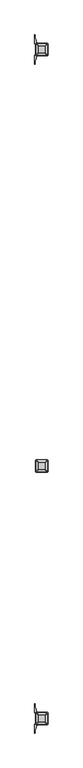
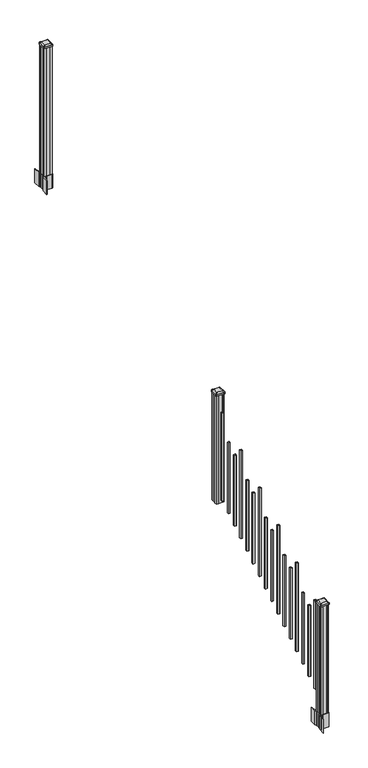
"""IFC4 building model written with IfcOpenShell, lengths in millimetres: railing geometry."""

import ifcopenshell
import ifcopenshell.guid

model = None  # the IFC model being written
_history = None  # IfcOwnerHistory: only IFC2X3 demands one
_inside = {}  # id of a spatial element -> (the spatial element, [elements in it])
_under = {}  # id of a project, library or spatial element -> (it, [spatial elements below it])
_declared = {}  # id of a project -> (the project, [libraries it declares])
_typed = {}  # id of a type object -> (the type object, [elements of that type])
_made_of = {}  # id of a material, layer set ... -> (it, [elements and type objects made of it])


def new_model(schema):
    """Start an empty IFC model of exactly this schema.

    Asked for "IFC4X3", IfcOpenShell would pick the latest addendum, in which some entities
    have other attributes; the version numbers below select the first issue.
    IFC2X3 requires an IfcOwnerHistory on every rooted entity: one is made here for all.
    """
    global model, _history
    if schema == "IFC4X3":
        model = ifcopenshell.file(schema_version=(4, 3, 0, 0))
    else:
        model = ifcopenshell.file(schema=schema)
    _inside.clear()
    _under.clear()
    _declared.clear()
    _typed.clear()
    _made_of.clear()
    _history = None
    if model.schema == "IFC2X3":
        org = make("IfcOrganization", Name="unknown")
        user = make(
            "IfcPersonAndOrganization",
            ThePerson=make("IfcPerson", FamilyName="unknown"),
            TheOrganization=org,
        )
        app = make(
            "IfcApplication",
            ApplicationDeveloper=org,
            Version="unknown",
            ApplicationFullName="unknown",
            ApplicationIdentifier="unknown",
        )
        _history = make(
            "IfcOwnerHistory",
            OwningUser=user,
            OwningApplication=app,
            ChangeAction="ADDED",
            CreationDate=0,
        )
    return model


def make(cls, **values):
    """One entity of the class cls with the attributes given. An attribute that is None is left unset."""
    return model.create_entity(
        cls, **{name: value for name, value in values.items() if value is not None}
    )


def rooted(cls, **values):
    """An entity with a GlobalId (a new one), such as an element, a storey or a relation."""
    return make(cls, GlobalId=ifcopenshell.guid.new(), OwnerHistory=_history, **values)


def si_unit(unit_type, name, prefix=None):
    """IfcSIUnit, for example si_unit("LENGTHUNIT", "METRE", prefix="MILLI")."""
    return make("IfcSIUnit", UnitType=unit_type, Prefix=prefix, Name=name)


def assignment(units):
    """IfcUnitAssignment: the units of a project."""
    return None if units is None else make("IfcUnitAssignment", Units=units)


def point(xyz):
    """IfcCartesianPoint."""
    return None if xyz is None else make("IfcCartesianPoint", Coordinates=xyz)


def direction(xyz):
    """IfcDirection."""
    return None if xyz is None else make("IfcDirection", DirectionRatios=xyz)


def frame(location, z_axis=None, x_axis=None):
    """IfcAxis2Placement3D, a coordinate frame: its origin and axes. An axis left out is left unset."""
    return make(
        "IfcAxis2Placement3D",
        Location=point(location),
        Axis=direction(z_axis),
        RefDirection=direction(x_axis),
    )


def frame_2d(location, x_axis=None):
    """IfcAxis2Placement2D, a coordinate frame in the plane: its origin and x axis."""
    return make(
        "IfcAxis2Placement2D", Location=point(location), RefDirection=direction(x_axis)
    )


def origin():
    """The frame at (0, 0, 0) with its axes left unset."""
    return frame((0.0, 0.0, 0.0))


def place(relative_to, where):
    """IfcLocalPlacement: puts the frame where relative to a parent placement (None: the world)."""
    return make(
        "IfcLocalPlacement", PlacementRelTo=relative_to, RelativePlacement=where
    )


def context(
    kind, dimensions, precision=None, world=None, true_north=None, identifier=None
):
    """IfcGeometricRepresentationContext, for example the 3D "Model" context."""
    return make(
        "IfcGeometricRepresentationContext",
        ContextIdentifier=identifier,
        ContextType=kind,
        CoordinateSpaceDimension=dimensions,
        Precision=precision,
        WorldCoordinateSystem=world,
        TrueNorth=true_north,
    )


def project(units=None, contexts=None):
    """IfcProject with its units and contexts."""
    return rooted(
        "IfcProject",
        Name="project",
        RepresentationContexts=contexts,
        UnitsInContext=assignment(units),
    )


def spatial(cls, under=None, at=None, **own):
    """A site, building, storey or space (cls), placed at a placement, below another one or the project."""
    s = rooted(cls, ObjectPlacement=at, **own)
    if under is not None:
        _under.setdefault(under.id(), (under, []))[1].append(s)
    return s


def polyline(points):
    """IfcPolyline through the points."""
    return make("IfcPolyline", Points=[point(p) for p in points])


def circle_curve(where, radius):
    """IfcCircle in the frame where."""
    return make("IfcCircle", Position=where, Radius=radius)


def trimmed(basis, trim1, trim2, sense, master):
    """IfcTrimmedCurve: the piece of a basis curve between two trims."""
    return make(
        "IfcTrimmedCurve",
        BasisCurve=basis,
        Trim1=trim1,
        Trim2=trim2,
        SenseAgreement=sense,
        MasterRepresentation=master,
    )


def segment(curve, same_sense, transition):
    """IfcCompositeCurveSegment."""
    return make(
        "IfcCompositeCurveSegment",
        Transition=transition,
        SameSense=same_sense,
        ParentCurve=curve,
    )


def composite_curve(segments, self_intersect=None):
    """IfcCompositeCurve: segments joined end to end."""
    return make("IfcCompositeCurve", Segments=segments, SelfIntersect=self_intersect)


def outline(outer, holes=None, kind="AREA"):
    """IfcArbitraryClosedProfileDef: a profile drawn as a closed curve; with holes, ...WithVoids."""
    if holes is None:
        return make("IfcArbitraryClosedProfileDef", ProfileType=kind, OuterCurve=outer)
    return make(
        "IfcArbitraryProfileDefWithVoids",
        ProfileType=kind,
        OuterCurve=outer,
        InnerCurves=holes,
    )


def extrude(swept, where, along, depth):
    """IfcExtrudedAreaSolid: the profile swept, set in the frame where, extruded along a direction by depth."""
    return make(
        "IfcExtrudedAreaSolid",
        SweptArea=swept,
        Position=where,
        ExtrudedDirection=direction(along),
        Depth=depth,
    )


def shape(context_of_items, identifier, shape_type, items):
    """IfcShapeRepresentation: the items that make up one representation, for example the "Body"."""
    return make(
        "IfcShapeRepresentation",
        ContextOfItems=context_of_items,
        RepresentationIdentifier=identifier,
        RepresentationType=shape_type,
        Items=items,
    )


def source(mapping_origin, context_of_items, identifier, shape_type, items):
    """IfcRepresentationMap: a shape defined once, which mapped items show again and again."""
    return make(
        "IfcRepresentationMap",
        MappingOrigin=mapping_origin,
        MappedRepresentation=shape(context_of_items, identifier, shape_type, items),
    )


def transform(
    local_origin,
    x_axis=None,
    y_axis=None,
    z_axis=None,
    scale=None,
    scale2=None,
    scale3=None,
    uniform=True,
):
    """IfcCartesianTransformationOperator3D, or its non-uniform kind. x_axis, y_axis, z_axis: its Axis1, 2, 3."""
    if uniform:
        return make(
            "IfcCartesianTransformationOperator3D",
            Axis1=direction(x_axis),
            Axis2=direction(y_axis),
            LocalOrigin=point(local_origin),
            Scale=scale,
            Axis3=direction(z_axis),
        )
    return make(
        "IfcCartesianTransformationOperator3DnonUniform",
        Axis1=direction(x_axis),
        Axis2=direction(y_axis),
        LocalOrigin=point(local_origin),
        Scale=scale,
        Axis3=direction(z_axis),
        Scale2=scale2,
        Scale3=scale3,
    )


def mapped(mapping_source, mapping_target):
    """IfcMappedItem: shows the shape of a source again, moved by a transform."""
    return make(
        "IfcMappedItem", MappingSource=mapping_source, MappingTarget=mapping_target
    )


def made_of(thing, what):
    """Note that an element or type object is made of a material, layer set ...; save() writes the relation."""
    if what is not None:
        _made_of.setdefault(what.id(), (what, []))[1].append(thing)
    return thing


def element(
    cls,
    number,
    at=None,
    inside=None,
    cuts=None,
    type_object=None,
    material=None,
    context=None,
    identifier="Body",
    shape_type=None,
    held_by="IfcProductDefinitionShape",
    body=None,
    shapes=None,
    **own,
):
    """One element of the class cls, such as IfcWall. Its Tag is "e" and its number.

    at: its placement. inside: the storey or other place that contains it. cuts: it is an
    opening in that element (IfcRelVoidsElement). A single representation is given by context,
    identifier, shape_type and body (its items); several are given by shapes. held_by: the class
    of the entity that holds the representations. save() writes the other relations.
    """
    e = rooted(cls, Tag="e%d" % number, ObjectPlacement=at, **own)
    if body is not None:
        shapes = [shape(context, identifier, shape_type, body)]
    if shapes is not None:
        e.Representation = make(held_by, Representations=shapes)
    if inside is not None:
        _inside.setdefault(inside.id(), (inside, []))[1].append(e)
    if cuts is not None:
        rooted(
            "IfcRelVoidsElement", RelatingBuildingElement=cuts, RelatedOpeningElement=e
        )
    if type_object is not None:
        _typed.setdefault(type_object.id(), (type_object, []))[1].append(e)
    return made_of(e, material)


def aggregate(whole, parts):
    """IfcRelAggregates: a whole, such as a stair, and the parts it consists of."""
    return rooted("IfcRelAggregates", RelatingObject=whole, RelatedObjects=parts)


def save(model, path):
    """Write the relations noted so far, then the file.

    IfcRelAggregates (storeys below a building ...), IfcRelContainedInSpatialStructure (elements
    in a storey), IfcRelDefinesByType, IfcRelAssociatesMaterial and IfcRelDeclares: one each for
    every whole, place, type object, material and project.
    """
    for whole, parts in _under.values():
        aggregate(whole, parts)
    for where, things in _inside.values():
        rooted(
            "IfcRelContainedInSpatialStructure",
            RelatedElements=things,
            RelatingStructure=where,
        )
    for kind, things in _typed.values():
        rooted("IfcRelDefinesByType", RelatedObjects=things, RelatingType=kind)
    for what, things in _made_of.values():
        rooted("IfcRelAssociatesMaterial", RelatedObjects=things, RelatingMaterial=what)
    for by, libraries in _declared.values():
        rooted("IfcRelDeclares", RelatingContext=by, RelatedDefinitions=libraries)
    model.write(path)


def plane_surface(at):
    """IfcPlane: the flat surface through the origin of the frame at, square to its z axis."""
    return make("IfcPlane", Position=at)


def extruded_surface(curve, direction_of_extrusion, depth):
    """IfcSurfaceOfLinearExtrusion: the curve pushed along a direction by depth."""
    return make(
        "IfcSurfaceOfLinearExtrusion",
        SweptCurve=make("IfcArbitraryOpenProfileDef", ProfileType="CURVE", Curve=curve),
        ExtrudedDirection=direction(direction_of_extrusion),
        Depth=depth,
    )


def advanced_brep(points, edges, surfaces, faces):
    """IfcAdvancedBrep: a solid bounded by faces that lie on surfaces and meet in shared edges.

    An edge is (start, end): straight between two places in points (the first is 0);
    or (start, end, curve); or (start, end, curve, False) where it runs against its curve.
    A face is (place in surfaces, loops), or (place, loops, False) where it looks against
    its surface's normal. A loop lists edges by number (the first is 1), with a minus sign
    where the edge is run from its end to its start. The first loop is the outer one.
    """
    corners = [point(p) for p in points]
    vertices = [make("IfcVertexPoint", VertexGeometry=c) for c in corners]
    made = []
    for start, end, *more in edges:
        made.append(
            make(
                "IfcEdgeCurve",
                EdgeStart=vertices[start],
                EdgeEnd=vertices[end],
                EdgeGeometry=more[0] if more else make("IfcPolyline", Points=[corners[start], corners[end]]),
                SameSense=more[1] if len(more) > 1 else True,
            )
        )
    hull = []
    for where, loops, *sense in faces:
        bounds = []
        for j, loop in enumerate(loops):
            ring = [make("IfcOrientedEdge", EdgeElement=made[abs(k) - 1], Orientation=k > 0) for k in loop]
            bounds.append(
                make(
                    "IfcFaceOuterBound" if j == 0 else "IfcFaceBound",
                    Bound=make("IfcEdgeLoop", EdgeList=ring),
                    Orientation=True,
                )
            )
        hull.append(make("IfcAdvancedFace", Bounds=bounds, FaceSurface=surfaces[where], SameSense=sense[0] if sense else True))
    return make("IfcAdvancedBrep", Outer=make("IfcClosedShell", CfsFaces=hull))


def railing_4a770493(model_context):
    return source(origin(), model_context, "Body", "SolidModel", [
        advanced_brep(
        [(9677.4407728, -114155.4027203, 2547.109263), (9729.0345228, -114155.4027203, 2547.109263), (9732.2095228, -114152.2277203, 2547.109263), (9732.2095228, -114100.6339703, 2547.109263), (9729.0345228, -114097.4589703, 2547.109263), (9677.4407728, -114097.4589703, 2547.109263), (9674.2657728, -114100.6339703, 2547.109263), (9674.2657728, -114152.2277203, 2547.109263), (9661.1688978, -114171.6745953, 2535.806263), (9657.9938978, -114168.4995953, 2535.806263), (9657.9938978, -114084.3620953, 2535.806263), (9661.1688978, -114081.1870953, 2535.806263), (9745.3063978, -114081.1870953, 2535.806263), (9748.4813978, -114084.3620953, 2535.806263), (9748.4813978, -114168.4995953, 2535.806263), (9745.3063978, -114171.6745953, 2535.806263)],
        [
            (0, 1),
            (1, 2, circle_curve(frame((9729.0345228, -114152.2277203, 2547.109263), z_axis=(0.0, 0.0, 1.0), x_axis=(0.0, 1.0, 0.0)), 3.175)),
            (2, 3),
            (3, 4, circle_curve(frame((9729.0345228, -114100.6339703, 2547.109263), z_axis=(0.0, 0.0, 1.0), x_axis=(0.0, 1.0, 0.0)), 3.175)),
            (4, 5),
            (5, 6, circle_curve(frame((9677.4407728, -114100.6339703, 2547.109263), z_axis=(0.0, 0.0, 1.0), x_axis=(0.0, 1.0, 0.0)), 3.175)),
            (6, 7),
            (7, 0, circle_curve(frame((9677.4407728, -114152.2277203, 2547.109263), z_axis=(0.0, 0.0, 1.0), x_axis=(0.0, 1.0, 0.0)), 3.175)),
            (8, 9, circle_curve(frame((9661.1688978, -114168.4995953, 2535.806263), z_axis=(0.0, 0.0, -1.0), x_axis=(0.0, 1.0, 0.0)), 3.175)),
            (9, 10),
            (10, 11, circle_curve(frame((9661.1688978, -114084.3620953, 2535.806263), z_axis=(0.0, 0.0, -1.0), x_axis=(0.0, 1.0, 0.0)), 3.175)),
            (11, 12),
            (12, 13, circle_curve(frame((9745.3063978, -114084.3620953, 2535.806263), z_axis=(0.0, 0.0, -1.0), x_axis=(0.0, 1.0, 0.0)), 3.175)),
            (13, 14),
            (14, 15, circle_curve(frame((9745.3063978, -114168.4995953, 2535.806263), z_axis=(0.0, 0.0, -1.0), x_axis=(0.0, 1.0, 0.0)), 3.175)),
            (15, 8),
            (8, 0),
            (7, 9),
            (6, 10),
            (5, 11),
            (4, 12),
            (3, 13),
            (2, 14),
            (1, 15),
        ],
        [
            plane_surface(frame((9703.2376478, -114126.4308453, 2547.109263), z_axis=(0.0, 0.0, 1.0), x_axis=(-1.0, 0.0, 0.0))),
            plane_surface(frame((9703.2376478, -114126.4308453, 2535.806263), z_axis=(0.0, 0.0, -1.0), x_axis=(-1.0, 0.0, 0.0))),
            extruded_surface(trimmed(circle_curve(frame((9677.4407728, -114152.2277203, 2547.109263), z_axis=(0.0, 0.0, -1.0), x_axis=(0.0, 1.0, 0.0)), 3.175), [point((9677.4407728, -114155.4027203, 2547.109263))], [point((9674.2657728, -114152.2277203, 2547.109263))], True, "CARTESIAN"), (-16.271875000000364, -16.27187500000582, -11.302999999999884), 25.637972638870036),
            plane_surface(frame((9657.9938978, -114126.4308453, 2535.806263), z_axis=(-0.5705009161540778, 0.0, 0.8212969649690408), x_axis=(0.0, 1.0, 0.0))),
            extruded_surface(trimmed(circle_curve(frame((9677.4407728, -114100.6339703, 2547.109263), z_axis=(0.0, 0.0, -1.0), x_axis=(0.0, 1.0, 0.0)), 3.175), [point((9674.2657728, -114100.6339703, 2547.109263))], [point((9677.4407728, -114097.4589703, 2547.109263))], True, "CARTESIAN"), (-16.271875000000364, 16.27187499999127, -11.302999999999884), 25.637972638860802),
            plane_surface(frame((9703.2376478, -114081.1870953, 2535.806263), z_axis=(0.0, 0.5705009161540291, 0.8212969649690747), x_axis=(1.0, 0.0, 0.0))),
            extruded_surface(trimmed(circle_curve(frame((9729.0345228, -114100.6339703, 2547.109263), z_axis=(0.0, 0.0, -1.0), x_axis=(0.0, 1.0, 0.0)), 3.175), [point((9729.0345228, -114097.4589703, 2547.109263))], [point((9732.2095228, -114100.6339703, 2547.109263))], True, "CARTESIAN"), (16.271874999998545, 16.27187499999127, -11.302999999999884), 25.637972638859644),
            plane_surface(frame((9748.4813978, -114126.4308453, 2535.806263), z_axis=(0.5705009161540142, 0.0, 0.8212969649690851), x_axis=(0.0, -1.0, 0.0))),
            extruded_surface(trimmed(circle_curve(frame((9729.0345228, -114152.2277203, 2547.109263), z_axis=(0.0, 0.0, -1.0), x_axis=(0.0, 1.0, 0.0)), 3.175), [point((9732.2095228, -114152.2277203, 2547.109263))], [point((9729.0345228, -114155.4027203, 2547.109263))], True, "CARTESIAN"), (16.271874999998545, -16.27187500000582, -11.302999999999884), 25.63797263886888),
            plane_surface(frame((9703.2376478, -114171.6745953, 2535.806263), z_axis=(0.0, -0.570500916154034, 0.8212969649690713), x_axis=(-1.0, 0.0, 0.0))),
        ],
        [
            (0, [[1, 2, 3, 4, 5, 6, 7, 8]]),
            (1, [[9, 10, 11, 12, 13, 14, 15, 16]]),
            (2, [[17, -8, 18, -9]]),
            (3, [[-18, -7, 19, -10]]),
            (4, [[-19, -6, 20, -11]]),
            (5, [[-20, -5, 21, -12]]),
            (6, [[-21, -4, 22, -13]]),
            (7, [[-22, -3, 23, -14]]),
            (8, [[-23, -2, 24, -15]]),
            (9, [[-24, -1, -17, -16]]),
        ],
    ),
        extrude(outline(composite_curve([segment(trimmed(circle_curve(frame_2d((9661.1688978, -114168.4995953)), 3.175), [point((9661.1688978, -114171.6745953))], [point((9657.9938978, -114168.4995953))], False, "CARTESIAN"), True, "CONTINUOUS"), segment(polyline([(9657.9938978, -114168.4995953), (9657.9938978, -114084.3620953)]), True, "CONTINUOUS"), segment(trimmed(circle_curve(frame_2d((9661.1688978, -114084.3620953)), 3.175), [point((9657.9938978, -114084.3620953))], [point((9661.1688978, -114081.1870953))], False, "CARTESIAN"), True, "CONTINUOUS"), segment(polyline([(9661.1688978, -114081.1870953), (9745.3063978, -114081.1870953)]), True, "CONTINUOUS"), segment(trimmed(circle_curve(frame_2d((9745.3063978, -114084.3620953)), 3.175), [point((9745.3063978, -114081.1870953))], [point((9748.4813978, -114084.3620953))], False, "CARTESIAN"), True, "CONTINUOUS"), segment(polyline([(9748.4813978, -114084.3620953), (9748.4813978, -114168.4995953)]), True, "CONTINUOUS"), segment(trimmed(circle_curve(frame_2d((9745.3063978, -114168.4995953)), 3.175), [point((9748.4813978, -114168.4995953))], [point((9745.3063978, -114171.6745953))], False, "CARTESIAN"), True, "CONTINUOUS"), segment(polyline([(9745.3063978, -114171.6745953), (9661.1688978, -114171.6745953)]), True, "CONTINUOUS")], self_intersect=False)), frame((0.0, 0.0, 2518.534263), z_axis=(0.0, 0.0, 1.0), x_axis=(1.0, 0.0, 0.0)), (0.0, 0.0, 1.0), 17.272),
        extrude(outline(polyline([(9663.5501478, -114167.7058453), (9661.9626478, -114166.1183453), (9661.9626478, -114146.4968453), (9663.5501478, -114145.7348453), (9663.5501478, -114107.1268453), (9661.9626478, -114106.3648453), (9661.9626478, -114086.7433453), (9663.5501478, -114085.1558453), (9683.1716478, -114085.1558453), (9683.9336478, -114086.7433453), (9722.5416478, -114086.7433453), (9723.3036478, -114085.1558453), (9742.9251478, -114085.1558453), (9744.5126478, -114086.7433453), (9744.5126478, -114106.3648453), (9742.9251478, -114107.1268453), (9742.9251478, -114145.7348453), (9744.5126478, -114146.4968453), (9744.5126478, -114166.1183453), (9742.9251478, -114167.7058453), (9723.3036478, -114167.7058453), (9722.5416478, -114166.1183453), (9683.9336478, -114166.1183453), (9683.1716478, -114167.7058453), (9663.5501478, -114167.7058453)])), frame((0.0, 0.0, 1334.77), z_axis=(0.0, 0.0, 1.0), x_axis=(1.0, 0.0, 0.0)), (0.0, 0.0, 1.0), 1183.764263),
        extrude(outline(polyline([(9712.7626478, -114216.9818453), (9693.7126478, -114216.9818453), (9693.7126478, -114197.9318453), (9712.7626478, -114197.9318453), (9712.7626478, -114216.9818453)]), holes=[polyline([(9712.3657728, -114216.5849703), (9712.3657728, -114198.3287203), (9694.1095228, -114198.3287203), (9694.1095228, -114216.5849703), (9712.3657728, -114216.5849703)])]), frame((0.0, 0.0, 1385.7246281), z_axis=(0.0, 0.0, 1.0), x_axis=(1.0, 0.0, 0.0)), (0.0, 0.0, 1.0), 965.2041219),
        extrude(outline(polyline([(9712.7626478, -114328.2338453), (9693.7126478, -114328.2338453), (9693.7126478, -114309.1838453), (9712.7626478, -114309.1838453), (9712.7626478, -114328.2338453)]), holes=[polyline([(9712.3657728, -114327.8369703), (9712.3657728, -114309.5807203), (9694.1095228, -114309.5807203), (9694.1095228, -114327.8369703), (9712.3657728, -114327.8369703)])]), frame((0.0, 0.0, 1316.1921281), z_axis=(0.0, 0.0, 1.0), x_axis=(1.0, 0.0, 0.0)), (0.0, 0.0, 1.0), 774.7041219),
        extrude(outline(polyline([(9712.7626478, -114439.4858453), (9693.7126478, -114439.4858453), (9693.7126478, -114420.4358453), (9712.7626478, -114420.4358453), (9712.7626478, -114439.4858453)]), holes=[polyline([(9712.3657728, -114439.0889703), (9712.3657728, -114420.8327203), (9694.1095228, -114420.8327203), (9694.1095228, -114439.0889703), (9712.3657728, -114439.0889703)])]), frame((0.0, 0.0, 1246.6596281), z_axis=(0.0, 0.0, 1.0), x_axis=(1.0, 0.0, 0.0)), (0.0, 0.0, 1.0), 774.7041219),
        extrude(outline(polyline([(9712.7626478, -114550.7378453), (9693.7126478, -114550.7378453), (9693.7126478, -114531.6878453), (9712.7626478, -114531.6878453), (9712.7626478, -114550.7378453)]), holes=[polyline([(9712.3657728, -114550.3409703), (9712.3657728, -114532.0847203), (9694.1095228, -114532.0847203), (9694.1095228, -114550.3409703), (9712.3657728, -114550.3409703)])]), frame((0.0, 0.0, 1177.1271281), z_axis=(0.0, 0.0, 1.0), x_axis=(1.0, 0.0, 0.0)), (0.0, 0.0, 1.0), 965.2041219),
        extrude(outline(polyline([(9712.7626478, -114661.9898453), (9693.7126478, -114661.9898453), (9693.7126478, -114642.9398453), (9712.7626478, -114642.9398453), (9712.7626478, -114661.9898453)]), holes=[polyline([(9712.3657728, -114661.5929703), (9712.3657728, -114643.3367203), (9694.1095228, -114643.3367203), (9694.1095228, -114661.5929703), (9712.3657728, -114661.5929703)])]), frame((0.0, 0.0, 1107.5946281), z_axis=(0.0, 0.0, 1.0), x_axis=(1.0, 0.0, 0.0)), (0.0, 0.0, 1.0), 774.7041219),
        extrude(outline(polyline([(9712.7626478, -114773.2418453), (9693.7126478, -114773.2418453), (9693.7126478, -114754.1918453), (9712.7626478, -114754.1918453), (9712.7626478, -114773.2418453)]), holes=[polyline([(9712.3657728, -114772.8449703), (9712.3657728, -114754.5887203), (9694.1095228, -114754.5887203), (9694.1095228, -114772.8449703), (9712.3657728, -114772.8449703)])]), frame((0.0, 0.0, 1038.0621281), z_axis=(0.0, 0.0, 1.0), x_axis=(1.0, 0.0, 0.0)), (0.0, 0.0, 1.0), 774.7041219),
        extrude(outline(polyline([(9712.7626478, -114884.4938453), (9693.7126478, -114884.4938453), (9693.7126478, -114865.4438453), (9712.7626478, -114865.4438453), (9712.7626478, -114884.4938453)]), holes=[polyline([(9712.3657728, -114884.0969703), (9712.3657728, -114865.8407203), (9694.1095228, -114865.8407203), (9694.1095228, -114884.0969703), (9712.3657728, -114884.0969703)])]), frame((0.0, 0.0, 968.5296281), z_axis=(0.0, 0.0, 1.0), x_axis=(1.0, 0.0, 0.0)), (0.0, 0.0, 1.0), 965.2041219),
        extrude(outline(polyline([(9712.7626478, -114995.7458453), (9693.7126478, -114995.7458453), (9693.7126478, -114976.6958453), (9712.7626478, -114976.6958453), (9712.7626478, -114995.7458453)]), holes=[polyline([(9712.3657728, -114995.3489703), (9712.3657728, -114977.0927203), (9694.1095228, -114977.0927203), (9694.1095228, -114995.3489703), (9712.3657728, -114995.3489703)])]), frame((0.0, 0.0, 898.9971281), z_axis=(0.0, 0.0, 1.0), x_axis=(1.0, 0.0, 0.0)), (0.0, 0.0, 1.0), 774.7041219),
        extrude(outline(polyline([(9712.7626478, -115106.9978453), (9693.7126478, -115106.9978453), (9693.7126478, -115087.9478453), (9712.7626478, -115087.9478453), (9712.7626478, -115106.9978453)]), holes=[polyline([(9712.3657728, -115106.6009703), (9712.3657728, -115088.3447203), (9694.1095228, -115088.3447203), (9694.1095228, -115106.6009703), (9712.3657728, -115106.6009703)])]), frame((0.0, 0.0, 829.4646281), z_axis=(0.0, 0.0, 1.0), x_axis=(1.0, 0.0, 0.0)), (0.0, 0.0, 1.0), 774.7041219),
        extrude(outline(polyline([(9712.7626478, -115218.2498453), (9693.7126478, -115218.2498453), (9693.7126478, -115199.1998453), (9712.7626478, -115199.1998453), (9712.7626478, -115218.2498453)]), holes=[polyline([(9712.3657728, -115217.8529703), (9712.3657728, -115199.5967203), (9694.1095228, -115199.5967203), (9694.1095228, -115217.8529703), (9712.3657728, -115217.8529703)])]), frame((0.0, 0.0, 759.9321281), z_axis=(0.0, 0.0, 1.0), x_axis=(1.0, 0.0, 0.0)), (0.0, 0.0, 1.0), 965.2041219),
        extrude(outline(polyline([(9712.7626478, -115329.5018453), (9693.7126478, -115329.5018453), (9693.7126478, -115310.4518453), (9712.7626478, -115310.4518453), (9712.7626478, -115329.5018453)]), holes=[polyline([(9712.3657728, -115329.1049703), (9712.3657728, -115310.8487203), (9694.1095228, -115310.8487203), (9694.1095228, -115329.1049703), (9712.3657728, -115329.1049703)])]), frame((0.0, 0.0, 690.3996281), z_axis=(0.0, 0.0, 1.0), x_axis=(1.0, 0.0, 0.0)), (0.0, 0.0, 1.0), 774.7041219),
        extrude(outline(polyline([(9712.7626478, -115440.7538453), (9693.7126478, -115440.7538453), (9693.7126478, -115421.7038453), (9712.7626478, -115421.7038453), (9712.7626478, -115440.7538453)]), holes=[polyline([(9712.3657728, -115440.3569703), (9712.3657728, -115422.1007203), (9694.1095228, -115422.1007203), (9694.1095228, -115440.3569703), (9712.3657728, -115440.3569703)])]), frame((0.0, 0.0, 620.8671281), z_axis=(0.0, 0.0, 1.0), x_axis=(1.0, 0.0, 0.0)), (0.0, 0.0, 1.0), 774.7041219),
        extrude(outline(polyline([(9712.7626478, -115552.0058453), (9693.7126478, -115552.0058453), (9693.7126478, -115532.9558453), (9712.7626478, -115532.9558453), (9712.7626478, -115552.0058453)]), holes=[polyline([(9712.3657728, -115551.6089703), (9712.3657728, -115533.3527203), (9694.1095228, -115533.3527203), (9694.1095228, -115551.6089703), (9712.3657728, -115551.6089703)])]), frame((0.0, 0.0, 551.3346281), z_axis=(0.0, 0.0, 1.0), x_axis=(1.0, 0.0, 0.0)), (0.0, 0.0, 1.0), 965.2041219),
        extrude(outline(polyline([(9712.7626478, -115663.2578453), (9693.7126478, -115663.2578453), (9693.7126478, -115644.2078453), (9712.7626478, -115644.2078453), (9712.7626478, -115663.2578453)]), holes=[polyline([(9712.3657728, -115662.8609703), (9712.3657728, -115644.6047203), (9694.1095228, -115644.6047203), (9694.1095228, -115662.8609703), (9712.3657728, -115662.8609703)])]), frame((0.0, 0.0, 481.8021281), z_axis=(0.0, 0.0, 1.0), x_axis=(1.0, 0.0, 0.0)), (0.0, 0.0, 1.0), 774.7041219),
        extrude(outline(polyline([(9712.7626478, -115774.5098453), (9693.7126478, -115774.5098453), (9693.7126478, -115755.4598453), (9712.7626478, -115755.4598453), (9712.7626478, -115774.5098453)]), holes=[polyline([(9712.3657728, -115774.1129703), (9712.3657728, -115755.8567203), (9694.1095228, -115755.8567203), (9694.1095228, -115774.1129703), (9712.3657728, -115774.1129703)])]), frame((0.0, 0.0, 412.2696281), z_axis=(0.0, 0.0, 1.0), x_axis=(1.0, 0.0, 0.0)), (0.0, 0.0, 1.0), 774.7041219),
        extrude(outline(polyline([(9712.7626478, -115885.7618453), (9693.7126478, -115885.7618453), (9693.7126478, -115866.7118453), (9712.7626478, -115866.7118453), (9712.7626478, -115885.7618453)]), holes=[polyline([(9712.3657728, -115885.3649703), (9712.3657728, -115867.1087203), (9694.1095228, -115867.1087203), (9694.1095228, -115885.3649703), (9712.3657728, -115885.3649703)])]), frame((0.0, 0.0, 342.7371281), z_axis=(0.0, 0.0, 1.0), x_axis=(1.0, 0.0, 0.0)), (0.0, 0.0, 1.0), 965.2041219),
        extrude(outline(polyline([(9663.5501478, -111080.3358453), (9661.9626478, -111078.7483453), (9661.9626478, -111059.1268453), (9663.5501478, -111058.3648453), (9663.5501478, -111019.7568453), (9661.9626478, -111018.9948453), (9661.9626478, -110999.3733453), (9663.5501478, -110997.7858453), (9683.1716478, -110997.7858453), (9683.9336478, -110999.3733453), (9722.5416478, -110999.3733453), (9723.3036478, -110997.7858453), (9742.9251478, -110997.7858453), (9744.5126478, -110999.3733453), (9744.5126478, -111018.9948453), (9742.9251478, -111019.7568453), (9742.9251478, -111058.3648453), (9744.5126478, -111059.1268453), (9744.5126478, -111078.7483453), (9742.9251478, -111080.3358453), (9723.3036478, -111080.3358453), (9722.5416478, -111078.7483453), (9683.9336478, -111078.7483453), (9683.1716478, -111080.3358453), (9663.5501478, -111080.3358453)])), frame((0.0, 0.0, 3048.0), z_axis=(0.0, 0.0, 1.0), x_axis=(1.0, 0.0, 0.0)), (0.0, 0.0, 1.0), 1400.140513),
        extrude(outline(composite_curve([segment(polyline([(9745.9731478, -111056.4469401), (9747.5606478, -111057.2089401), (9747.5606478, -111080.0108682), (9744.1876707, -111083.3838453), (9682.7279999, -111083.3838453), (9682.7279999, -111084.3045953), (9677.4104561, -111084.3045953), (9677.4104561, -111085.75885), (9672.3259264, -111085.75885), (9672.3259264, -111087.0428738), (9670.6586541, -111087.0428738)]), True, "CONTINUOUS"), segment(trimmed(circle_curve(frame_2d((9670.6586541, -111094.1023337)), 7.0594599), [point((9670.6586541, -111087.0428738))], [point((9663.8913912, -111092.092327))], True, "CARTESIAN"), True, "CONTINUOUS"), segment(polyline([(9663.8913912, -111092.092327), (9656.0171969, -111118.6030561)]), True, "CONTINUOUS"), segment(trimmed(circle_curve(frame_2d((9710.8017103, -111134.8751057)), 57.15), [point((9656.0171969, -111118.6030561))], [point((9653.6517103, -111134.8751057))], True, "CARTESIAN"), True, "CONTINUOUS"), segment(polyline([(9653.6517103, -111134.8751057), (9653.6517103, -111146.8838453), (9650.6517103, -111146.8838453), (9650.6517103, -111081.7963453), (9658.9146478, -111070.458054), (9658.9146478, -111057.2089401), (9660.5021478, -111056.4469401), (9660.5021478, -111021.6747504), (9658.9146478, -111020.9127504), (9658.9146478, -111007.6636366), (9650.6517103, -110996.3253453), (9650.6517103, -110931.2378453), (9653.6517103, -110931.2378453), (9653.6517103, -110943.2465848)]), True, "CONTINUOUS"), segment(trimmed(circle_curve(frame_2d((9710.8017103, -110943.2465848)), 57.15), [point((9653.6517103, -110943.2465848))], [point((9656.0171969, -110959.5186345))], True, "CARTESIAN"), True, "CONTINUOUS"), segment(polyline([(9656.0171969, -110959.5186345), (9663.8913912, -110986.0293636)]), True, "CONTINUOUS"), segment(trimmed(circle_curve(frame_2d((9670.6586541, -110984.0193569)), 7.0594599), [point((9663.8913912, -110986.0293636))], [point((9670.6586541, -110991.0788168))], True, "CARTESIAN"), True, "CONTINUOUS"), segment(polyline([(9670.6586541, -110991.0788168), (9672.3259264, -110991.0788168), (9672.3259264, -110992.3628406), (9677.4104561, -110992.3628406), (9677.4104561, -110993.8170953), (9682.7279999, -110993.8170953), (9682.7279999, -110994.7378453), (9744.1876707, -110994.7378453), (9747.5606478, -110998.1108224), (9747.5606478, -111020.9127504), (9745.9731478, -111021.6747504), (9745.9731478, -111056.4469401)]), True, "CONTINUOUS")], self_intersect=False), holes=[polyline([(9661.9626478, -110999.3733453), (9661.9626478, -111078.7483453), (9663.5501478, -111080.3358453), (9700.4744304, -111080.3358453), (9742.9251478, -111080.3358453), (9744.5126478, -111078.7483453), (9744.5126478, -110999.3733453), (9742.9251478, -110997.7858453), (9700.4744304, -110997.7858453), (9663.5501478, -110997.7858453), (9661.9626478, -110999.3733453)])]), frame((0.0, 0.0, 2895.6), z_axis=(0.0, 0.0, 1.0), x_axis=(1.0, 0.0, 0.0)), (0.0, 0.0, 1.0), 152.4),
        advanced_brep(
        [(9677.4407728, -111068.0327203, 4476.715513), (9729.0345228, -111068.0327203, 4476.715513), (9732.2095228, -111064.8577203, 4476.715513), (9732.2095228, -111013.2639703, 4476.715513), (9729.0345228, -111010.0889703, 4476.715513), (9677.4407728, -111010.0889703, 4476.715513), (9674.2657728, -111013.2639703, 4476.715513), (9674.2657728, -111064.8577203, 4476.715513), (9661.1688978, -111084.3045953, 4465.412513), (9657.9938978, -111081.1295953, 4465.412513), (9657.9938978, -110996.9920953, 4465.412513), (9661.1688978, -110993.8170953, 4465.412513), (9745.3063978, -110993.8170953, 4465.412513), (9748.4813978, -110996.9920953, 4465.412513), (9748.4813978, -111081.1295953, 4465.412513), (9745.3063978, -111084.3045953, 4465.412513)],
        [
            (0, 1),
            (1, 2, circle_curve(frame((9729.0345228, -111064.8577203, 4476.715513), z_axis=(0.0, 0.0, 1.0), x_axis=(0.0, 1.0, 0.0)), 3.175)),
            (2, 3),
            (3, 4, circle_curve(frame((9729.0345228, -111013.2639703, 4476.715513), z_axis=(0.0, 0.0, 1.0), x_axis=(0.0, 1.0, 0.0)), 3.175)),
            (4, 5),
            (5, 6, circle_curve(frame((9677.4407728, -111013.2639703, 4476.715513), z_axis=(0.0, 0.0, 1.0), x_axis=(0.0, 1.0, 0.0)), 3.175)),
            (6, 7),
            (7, 0, circle_curve(frame((9677.4407728, -111064.8577203, 4476.715513), z_axis=(0.0, 0.0, 1.0), x_axis=(0.0, 1.0, 0.0)), 3.175)),
            (8, 9, circle_curve(frame((9661.1688978, -111081.1295953, 4465.412513), z_axis=(0.0, 0.0, -1.0), x_axis=(0.0, 1.0, 0.0)), 3.175)),
            (9, 10),
            (10, 11, circle_curve(frame((9661.1688978, -110996.9920953, 4465.412513), z_axis=(0.0, 0.0, -1.0), x_axis=(0.0, 1.0, 0.0)), 3.175)),
            (11, 12),
            (12, 13, circle_curve(frame((9745.3063978, -110996.9920953, 4465.412513), z_axis=(0.0, 0.0, -1.0), x_axis=(0.0, 1.0, 0.0)), 3.175)),
            (13, 14),
            (14, 15, circle_curve(frame((9745.3063978, -111081.1295953, 4465.412513), z_axis=(0.0, 0.0, -1.0), x_axis=(0.0, 1.0, 0.0)), 3.175)),
            (15, 8),
            (8, 0),
            (7, 9),
            (6, 10),
            (5, 11),
            (4, 12),
            (3, 13),
            (2, 14),
            (1, 15),
        ],
        [
            plane_surface(frame((9703.2376478, -111039.0608453, 4476.715513), z_axis=(0.0, 0.0, 1.0), x_axis=(-1.0, 0.0, 0.0))),
            plane_surface(frame((9703.2376478, -111039.0608453, 4465.412513), z_axis=(0.0, 0.0, -1.0), x_axis=(-1.0, 0.0, 0.0))),
            extruded_surface(trimmed(circle_curve(frame((9677.4407728, -111064.8577203, 4476.715513), z_axis=(0.0, 0.0, -1.0), x_axis=(0.0, 1.0, 0.0)), 3.175), [point((9677.4407728, -111068.0327203, 4476.715513))], [point((9674.2657728, -111064.8577203, 4476.715513))], True, "CARTESIAN"), (-16.271875000000364, -16.27187499999127, -11.302999999999884), 25.637972638860802),
            plane_surface(frame((9657.9938978, -111039.0608453, 4465.412513), z_axis=(-0.5705009161540685, 0.0, 0.8212969649690474), x_axis=(0.0, 1.0, 0.0))),
            extruded_surface(trimmed(circle_curve(frame((9677.4407728, -111013.2639703, 4476.715513), z_axis=(0.0, 0.0, -1.0), x_axis=(0.0, 1.0, 0.0)), 3.175), [point((9674.2657728, -111013.2639703, 4476.715513))], [point((9677.4407728, -111010.0889703, 4476.715513))], True, "CARTESIAN"), (-16.271875000000364, 16.27187500000582, -11.302999999999884), 25.637972638870036),
            plane_surface(frame((9703.2376478, -110993.8170953, 4465.412513), z_axis=(0.0, 0.5705009161540291, 0.8212969649690747), x_axis=(1.0, 0.0, 0.0))),
            extruded_surface(trimmed(circle_curve(frame((9729.0345228, -111013.2639703, 4476.715513), z_axis=(0.0, 0.0, -1.0), x_axis=(0.0, 1.0, 0.0)), 3.175), [point((9729.0345228, -111010.0889703, 4476.715513))], [point((9732.2095228, -111013.2639703, 4476.715513))], True, "CARTESIAN"), (16.271874999998545, 16.27187500000582, -11.302999999999884), 25.63797263886888),
            plane_surface(frame((9748.4813978, -111039.0608453, 4465.412513), z_axis=(0.5705009161540235, 0.0, 0.8212969649690786), x_axis=(0.0, -1.0, 0.0))),
            extruded_surface(trimmed(circle_curve(frame((9729.0345228, -111064.8577203, 4476.715513), z_axis=(0.0, 0.0, -1.0), x_axis=(0.0, 1.0, 0.0)), 3.175), [point((9732.2095228, -111064.8577203, 4476.715513))], [point((9729.0345228, -111068.0327203, 4476.715513))], True, "CARTESIAN"), (16.271874999998545, -16.27187499999127, -11.302999999999884), 25.637972638859644),
            plane_surface(frame((9703.2376478, -111084.3045953, 4465.412513), z_axis=(0.0, -0.570500916154034, 0.8212969649690713), x_axis=(-1.0, 0.0, 0.0))),
        ],
        [
            (0, [[1, 2, 3, 4, 5, 6, 7, 8]]),
            (1, [[9, 10, 11, 12, 13, 14, 15, 16]]),
            (2, [[17, -8, 18, -9]]),
            (3, [[-18, -7, 19, -10]]),
            (4, [[-19, -6, 20, -11]]),
            (5, [[-20, -5, 21, -12]]),
            (6, [[-21, -4, 22, -13]]),
            (7, [[-22, -3, 23, -14]]),
            (8, [[-23, -2, 24, -15]]),
            (9, [[-24, -1, -17, -16]]),
        ],
    ),
        extrude(outline(composite_curve([segment(trimmed(circle_curve(frame_2d((9661.1688978, -111081.1295953)), 3.175), [point((9661.1688978, -111084.3045953))], [point((9657.9938978, -111081.1295953))], False, "CARTESIAN"), True, "CONTINUOUS"), segment(polyline([(9657.9938978, -111081.1295953), (9657.9938978, -110996.9920953)]), True, "CONTINUOUS"), segment(trimmed(circle_curve(frame_2d((9661.1688978, -110996.9920953)), 3.175), [point((9657.9938978, -110996.9920953))], [point((9661.1688978, -110993.8170953))], False, "CARTESIAN"), True, "CONTINUOUS"), segment(polyline([(9661.1688978, -110993.8170953), (9745.3063978, -110993.8170953)]), True, "CONTINUOUS"), segment(trimmed(circle_curve(frame_2d((9745.3063978, -110996.9920953)), 3.175), [point((9745.3063978, -110993.8170953))], [point((9748.4813978, -110996.9920953))], False, "CARTESIAN"), True, "CONTINUOUS"), segment(polyline([(9748.4813978, -110996.9920953), (9748.4813978, -111081.1295953)]), True, "CONTINUOUS"), segment(trimmed(circle_curve(frame_2d((9745.3063978, -111081.1295953)), 3.175), [point((9748.4813978, -111081.1295953))], [point((9745.3063978, -111084.3045953))], False, "CARTESIAN"), True, "CONTINUOUS"), segment(polyline([(9745.3063978, -111084.3045953), (9661.1688978, -111084.3045953)]), True, "CONTINUOUS")], self_intersect=False)), frame((0.0, 0.0, 4448.140513), z_axis=(0.0, 0.0, 1.0), x_axis=(1.0, 0.0, 0.0)), (0.0, 0.0, 1.0), 17.272),
        extrude(outline(composite_curve([segment(polyline([(9745.9731478, -116016.0509401), (9747.5606478, -116016.8129401), (9747.5606478, -116039.6148682), (9744.1876707, -116042.9878453), (9682.7279999, -116042.9878453), (9682.7279999, -116043.9085953), (9677.4104561, -116043.9085953), (9677.4104561, -116045.36285), (9672.3259264, -116045.36285), (9672.3259264, -116046.6468738), (9670.6586541, -116046.6468738)]), True, "CONTINUOUS"), segment(trimmed(circle_curve(frame_2d((9670.6586541, -116053.7063337)), 7.0594599), [point((9670.6586541, -116046.6468738))], [point((9663.8913912, -116051.696327))], True, "CARTESIAN"), True, "CONTINUOUS"), segment(polyline([(9663.8913912, -116051.696327), (9656.0171969, -116078.2070561)]), True, "CONTINUOUS"), segment(trimmed(circle_curve(frame_2d((9710.8017103, -116094.4791057)), 57.15), [point((9656.0171969, -116078.2070561))], [point((9653.6517103, -116094.4791057))], True, "CARTESIAN"), True, "CONTINUOUS"), segment(polyline([(9653.6517103, -116094.4791057), (9653.6517103, -116106.4878453), (9650.6517103, -116106.4878453), (9650.6517103, -116041.4003453), (9658.9146478, -116030.062054), (9658.9146478, -116016.8129401), (9660.5021478, -116016.0509401), (9660.5021478, -115981.2787504), (9658.9146478, -115980.5167504), (9658.9146478, -115967.2676366), (9650.6517103, -115955.9293453), (9650.6517103, -115890.8418453), (9653.6517103, -115890.8418453), (9653.6517103, -115902.8505848)]), True, "CONTINUOUS"), segment(trimmed(circle_curve(frame_2d((9710.8017103, -115902.8505848)), 57.15), [point((9653.6517103, -115902.8505848))], [point((9656.0171969, -115919.1226345))], True, "CARTESIAN"), True, "CONTINUOUS"), segment(polyline([(9656.0171969, -115919.1226345), (9663.8913912, -115945.6333636)]), True, "CONTINUOUS"), segment(trimmed(circle_curve(frame_2d((9670.6586541, -115943.6233569)), 7.0594599), [point((9663.8913912, -115945.6333636))], [point((9670.6586541, -115950.6828168))], True, "CARTESIAN"), True, "CONTINUOUS"), segment(polyline([(9670.6586541, -115950.6828168), (9672.3259264, -115950.6828168), (9672.3259264, -115951.9668406), (9677.4104561, -115951.9668406), (9677.4104561, -115953.4210953), (9682.7279999, -115953.4210953), (9682.7279999, -115954.3418453), (9744.1876707, -115954.3418453), (9747.5606478, -115957.7148224), (9747.5606478, -115980.5167504), (9745.9731478, -115981.2787504), (9745.9731478, -116016.0509401)]), True, "CONTINUOUS")], self_intersect=False), holes=[polyline([(9661.9626478, -115958.9773453), (9661.9626478, -116038.3523453), (9663.5501478, -116039.9398453), (9700.4744304, -116039.9398453), (9742.9251478, -116039.9398453), (9744.5126478, -116038.3523453), (9744.5126478, -115958.9773453), (9742.9251478, -115957.3898453), (9700.4744304, -115957.3898453), (9663.5501478, -115957.3898453), (9661.9626478, -115958.9773453)])]), frame((0.0, 0.0, 12.22375), z_axis=(0.0, 0.0, 1.0), x_axis=(1.0, 0.0, 0.0)), (0.0, 0.0, 1.0), 152.4),
        advanced_brep(
        [(9677.4407728, -116027.6367203, 1376.963013), (9729.0345228, -116027.6367203, 1376.963013), (9732.2095228, -116024.4617203, 1376.963013), (9732.2095228, -115972.8679703, 1376.963013), (9729.0345228, -115969.6929703, 1376.963013), (9677.4407728, -115969.6929703, 1376.963013), (9674.2657728, -115972.8679703, 1376.963013), (9674.2657728, -116024.4617203, 1376.963013), (9661.1688978, -116043.9085953, 1365.660013), (9657.9938978, -116040.7335953, 1365.660013), (9657.9938978, -115956.5960953, 1365.660013), (9661.1688978, -115953.4210953, 1365.660013), (9745.3063978, -115953.4210953, 1365.660013), (9748.4813978, -115956.5960953, 1365.660013), (9748.4813978, -116040.7335953, 1365.660013), (9745.3063978, -116043.9085953, 1365.660013)],
        [
            (0, 1),
            (1, 2, circle_curve(frame((9729.0345228, -116024.4617203, 1376.963013), z_axis=(0.0, 0.0, 1.0), x_axis=(0.0, 1.0, 0.0)), 3.175)),
            (2, 3),
            (3, 4, circle_curve(frame((9729.0345228, -115972.8679703, 1376.963013), z_axis=(0.0, 0.0, 1.0), x_axis=(0.0, 1.0, 0.0)), 3.175)),
            (4, 5),
            (5, 6, circle_curve(frame((9677.4407728, -115972.8679703, 1376.963013), z_axis=(0.0, 0.0, 1.0), x_axis=(0.0, 1.0, 0.0)), 3.175)),
            (6, 7),
            (7, 0, circle_curve(frame((9677.4407728, -116024.4617203, 1376.963013), z_axis=(0.0, 0.0, 1.0), x_axis=(0.0, 1.0, 0.0)), 3.175)),
            (8, 9, circle_curve(frame((9661.1688978, -116040.7335953, 1365.660013), z_axis=(0.0, 0.0, -1.0), x_axis=(0.0, 1.0, 0.0)), 3.175)),
            (9, 10),
            (10, 11, circle_curve(frame((9661.1688978, -115956.5960953, 1365.660013), z_axis=(0.0, 0.0, -1.0), x_axis=(0.0, 1.0, 0.0)), 3.175)),
            (11, 12),
            (12, 13, circle_curve(frame((9745.3063978, -115956.5960953, 1365.660013), z_axis=(0.0, 0.0, -1.0), x_axis=(0.0, 1.0, 0.0)), 3.175)),
            (13, 14),
            (14, 15, circle_curve(frame((9745.3063978, -116040.7335953, 1365.660013), z_axis=(0.0, 0.0, -1.0), x_axis=(0.0, 1.0, 0.0)), 3.175)),
            (15, 8),
            (8, 0),
            (7, 9),
            (6, 10),
            (5, 11),
            (4, 12),
            (3, 13),
            (2, 14),
            (1, 15),
        ],
        [
            plane_surface(frame((9703.2376478, -115998.6648453, 1376.963013), z_axis=(0.0, 0.0, 1.0), x_axis=(-1.0, 0.0, 0.0))),
            plane_surface(frame((9703.2376478, -115998.6648453, 1365.660013), z_axis=(0.0, 0.0, -1.0), x_axis=(-1.0, 0.0, 0.0))),
            extruded_surface(trimmed(circle_curve(frame((9677.4407728, -116024.4617203, 1376.963013), z_axis=(0.0, 0.0, -1.0), x_axis=(0.0, 1.0, 0.0)), 3.175), [point((9677.4407728, -116027.6367203, 1376.963013))], [point((9674.2657728, -116024.4617203, 1376.963013))], True, "CARTESIAN"), (-16.271875000000364, -16.27187500000582, -11.303000000000111), 25.63797263887014),
            plane_surface(frame((9657.9938978, -115998.6648453, 1365.660013), z_axis=(-0.5705009161540778, 0.0, 0.8212969649690408), x_axis=(0.0, 1.0, 0.0))),
            extruded_surface(trimmed(circle_curve(frame((9677.4407728, -115972.8679703, 1376.963013), z_axis=(0.0, 0.0, -1.0), x_axis=(0.0, 1.0, 0.0)), 3.175), [point((9674.2657728, -115972.8679703, 1376.963013))], [point((9677.4407728, -115969.6929703, 1376.963013))], True, "CARTESIAN"), (-16.271875000000364, 16.27187499999127, -11.303000000000111), 25.6379726388609),
            plane_surface(frame((9703.2376478, -115953.4210953, 1365.660013), z_axis=(0.0, 0.5705009161540291, 0.8212969649690747), x_axis=(1.0, 0.0, 0.0))),
            extruded_surface(trimmed(circle_curve(frame((9729.0345228, -115972.8679703, 1376.963013), z_axis=(0.0, 0.0, -1.0), x_axis=(0.0, 1.0, 0.0)), 3.175), [point((9729.0345228, -115969.6929703, 1376.963013))], [point((9732.2095228, -115972.8679703, 1376.963013))], True, "CARTESIAN"), (16.271874999998545, 16.27187499999127, -11.303000000000111), 25.637972638859747),
            plane_surface(frame((9748.4813978, -115998.6648453, 1365.660013), z_axis=(0.5705009161540142, 0.0, 0.8212969649690851), x_axis=(0.0, -1.0, 0.0))),
            extruded_surface(trimmed(circle_curve(frame((9729.0345228, -116024.4617203, 1376.963013), z_axis=(0.0, 0.0, -1.0), x_axis=(0.0, 1.0, 0.0)), 3.175), [point((9732.2095228, -116024.4617203, 1376.963013))], [point((9729.0345228, -116027.6367203, 1376.963013))], True, "CARTESIAN"), (16.271874999998545, -16.27187500000582, -11.303000000000111), 25.63797263886898),
            plane_surface(frame((9703.2376478, -116043.9085953, 1365.660013), z_axis=(0.0, -0.570500916154034, 0.8212969649690713), x_axis=(-1.0, 0.0, 0.0))),
        ],
        [
            (0, [[1, 2, 3, 4, 5, 6, 7, 8]]),
            (1, [[9, 10, 11, 12, 13, 14, 15, 16]]),
            (2, [[17, -8, 18, -9]]),
            (3, [[-18, -7, 19, -10]]),
            (4, [[-19, -6, 20, -11]]),
            (5, [[-20, -5, 21, -12]]),
            (6, [[-21, -4, 22, -13]]),
            (7, [[-22, -3, 23, -14]]),
            (8, [[-23, -2, 24, -15]]),
            (9, [[-24, -1, -17, -16]]),
        ],
    ),
        extrude(outline(composite_curve([segment(trimmed(circle_curve(frame_2d((9661.1688978, -116040.7335953)), 3.175), [point((9661.1688978, -116043.9085953))], [point((9657.9938978, -116040.7335953))], False, "CARTESIAN"), True, "CONTINUOUS"), segment(polyline([(9657.9938978, -116040.7335953), (9657.9938978, -115956.5960953)]), True, "CONTINUOUS"), segment(trimmed(circle_curve(frame_2d((9661.1688978, -115956.5960953)), 3.175), [point((9657.9938978, -115956.5960953))], [point((9661.1688978, -115953.4210953))], False, "CARTESIAN"), True, "CONTINUOUS"), segment(polyline([(9661.1688978, -115953.4210953), (9745.3063978, -115953.4210953)]), True, "CONTINUOUS"), segment(trimmed(circle_curve(frame_2d((9745.3063978, -115956.5960953)), 3.175), [point((9745.3063978, -115953.4210953))], [point((9748.4813978, -115956.5960953))], False, "CARTESIAN"), True, "CONTINUOUS"), segment(polyline([(9748.4813978, -115956.5960953), (9748.4813978, -116040.7335953)]), True, "CONTINUOUS"), segment(trimmed(circle_curve(frame_2d((9745.3063978, -116040.7335953)), 3.175), [point((9748.4813978, -116040.7335953))], [point((9745.3063978, -116043.9085953))], False, "CARTESIAN"), True, "CONTINUOUS"), segment(polyline([(9745.3063978, -116043.9085953), (9661.1688978, -116043.9085953)]), True, "CONTINUOUS")], self_intersect=False)), frame((0.0, 0.0, 1348.388013), z_axis=(0.0, 0.0, 1.0), x_axis=(1.0, 0.0, 0.0)), (0.0, 0.0, 1.0), 17.272),
        extrude(outline(polyline([(9663.5501478, -116039.9398453), (9661.9626478, -116038.3523453), (9661.9626478, -116018.7308453), (9663.5501478, -116017.9688453), (9663.5501478, -115979.3608453), (9661.9626478, -115978.5988453), (9661.9626478, -115958.9773453), (9663.5501478, -115957.3898453), (9683.1716478, -115957.3898453), (9683.9336478, -115958.9773453), (9722.5416478, -115958.9773453), (9723.3036478, -115957.3898453), (9742.9251478, -115957.3898453), (9744.5126478, -115958.9773453), (9744.5126478, -115978.5988453), (9742.9251478, -115979.3608453), (9742.9251478, -116017.9688453), (9744.5126478, -116018.7308453), (9744.5126478, -116038.3523453), (9742.9251478, -116039.9398453), (9723.3036478, -116039.9398453), (9722.5416478, -116038.3523453), (9683.9336478, -116038.3523453), (9683.1716478, -116039.9398453), (9663.5501478, -116039.9398453)])), frame((0.0, 0.0, 164.62375), z_axis=(0.0, 0.0, 1.0), x_axis=(1.0, 0.0, 0.0)), (0.0, 0.0, 1.0), 1183.764263),
    ])


if __name__ == "__main__":
    model = new_model("IFC4")
    model_context = context("Model", 3, world=origin())
    ifc_project = project(units=[si_unit("LENGTHUNIT", "METRE", prefix="MILLI")], contexts=[model_context])
    site = spatial("IfcSite", under=ifc_project)
    building = spatial("IfcBuilding", under=site)
    placement = place(None, origin())
    railing_shape = railing_4a770493(model_context)
    element("IfcRailing", 1, at=placement, inside=building, context=model_context, shape_type="MappedRepresentation", body=[
        mapped(railing_shape, transform((0.0, 0.0, 0.0), x_axis=(1.0, 0.0, 0.0), y_axis=(0.0, 1.0, 0.0), z_axis=(0.0, 0.0, 1.0))),
    ])
    save(model, "model.ifc")
